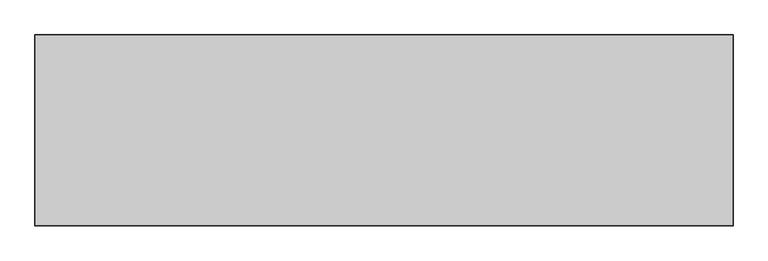
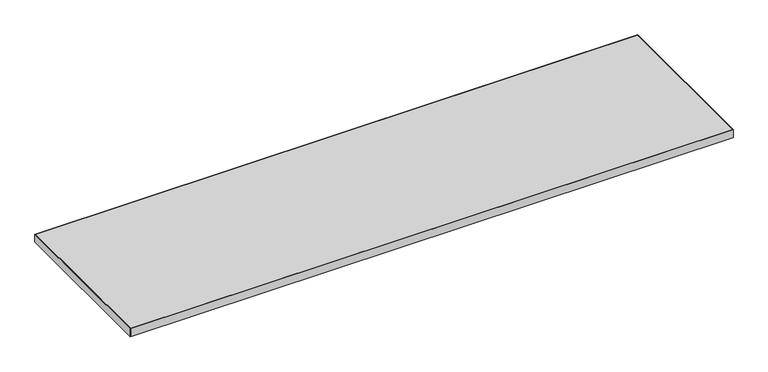
"""IFC4 building model written with IfcOpenShell, lengths in millimetres: furniture geometry."""

import ifcopenshell
import ifcopenshell.guid

model = None  # the IFC model being written
_history = None  # IfcOwnerHistory: only IFC2X3 demands one
_inside = {}  # id of a spatial element -> (the spatial element, [elements in it])
_under = {}  # id of a project, library or spatial element -> (it, [spatial elements below it])
_declared = {}  # id of a project -> (the project, [libraries it declares])
_typed = {}  # id of a type object -> (the type object, [elements of that type])
_made_of = {}  # id of a material, layer set ... -> (it, [elements and type objects made of it])


def new_model(schema):
    """Start an empty IFC model of exactly this schema.

    Asked for "IFC4X3", IfcOpenShell would pick the latest addendum, in which some entities
    have other attributes; the version numbers below select the first issue.
    IFC2X3 requires an IfcOwnerHistory on every rooted entity: one is made here for all.
    """
    global model, _history
    if schema == "IFC4X3":
        model = ifcopenshell.file(schema_version=(4, 3, 0, 0))
    else:
        model = ifcopenshell.file(schema=schema)
    _inside.clear()
    _under.clear()
    _declared.clear()
    _typed.clear()
    _made_of.clear()
    _history = None
    if model.schema == "IFC2X3":
        org = make("IfcOrganization", Name="unknown")
        user = make(
            "IfcPersonAndOrganization",
            ThePerson=make("IfcPerson", FamilyName="unknown"),
            TheOrganization=org,
        )
        app = make(
            "IfcApplication",
            ApplicationDeveloper=org,
            Version="unknown",
            ApplicationFullName="unknown",
            ApplicationIdentifier="unknown",
        )
        _history = make(
            "IfcOwnerHistory",
            OwningUser=user,
            OwningApplication=app,
            ChangeAction="ADDED",
            CreationDate=0,
        )
    return model


def make(cls, **values):
    """One entity of the class cls with the attributes given. An attribute that is None is left unset."""
    return model.create_entity(
        cls, **{name: value for name, value in values.items() if value is not None}
    )


def rooted(cls, **values):
    """An entity with a GlobalId (a new one), such as an element, a storey or a relation."""
    return make(cls, GlobalId=ifcopenshell.guid.new(), OwnerHistory=_history, **values)


def si_unit(unit_type, name, prefix=None):
    """IfcSIUnit, for example si_unit("LENGTHUNIT", "METRE", prefix="MILLI")."""
    return make("IfcSIUnit", UnitType=unit_type, Prefix=prefix, Name=name)


def assignment(units):
    """IfcUnitAssignment: the units of a project."""
    return None if units is None else make("IfcUnitAssignment", Units=units)


def point(xyz):
    """IfcCartesianPoint."""
    return None if xyz is None else make("IfcCartesianPoint", Coordinates=xyz)


def direction(xyz):
    """IfcDirection."""
    return None if xyz is None else make("IfcDirection", DirectionRatios=xyz)


def frame(location, z_axis=None, x_axis=None):
    """IfcAxis2Placement3D, a coordinate frame: its origin and axes. An axis left out is left unset."""
    return make(
        "IfcAxis2Placement3D",
        Location=point(location),
        Axis=direction(z_axis),
        RefDirection=direction(x_axis),
    )


def origin():
    """The frame at (0, 0, 0) with its axes left unset."""
    return frame((0.0, 0.0, 0.0))


def place(relative_to, where):
    """IfcLocalPlacement: puts the frame where relative to a parent placement (None: the world)."""
    return make(
        "IfcLocalPlacement", PlacementRelTo=relative_to, RelativePlacement=where
    )


def context(
    kind, dimensions, precision=None, world=None, true_north=None, identifier=None
):
    """IfcGeometricRepresentationContext, for example the 3D "Model" context."""
    return make(
        "IfcGeometricRepresentationContext",
        ContextIdentifier=identifier,
        ContextType=kind,
        CoordinateSpaceDimension=dimensions,
        Precision=precision,
        WorldCoordinateSystem=world,
        TrueNorth=true_north,
    )


def project(units=None, contexts=None):
    """IfcProject with its units and contexts."""
    return rooted(
        "IfcProject",
        Name="project",
        RepresentationContexts=contexts,
        UnitsInContext=assignment(units),
    )


def spatial(cls, under=None, at=None, **own):
    """A site, building, storey or space (cls), placed at a placement, below another one or the project."""
    s = rooted(cls, ObjectPlacement=at, **own)
    if under is not None:
        _under.setdefault(under.id(), (under, []))[1].append(s)
    return s


def polyline(points):
    """IfcPolyline through the points."""
    return make("IfcPolyline", Points=[point(p) for p in points])


def outline(outer, holes=None, kind="AREA"):
    """IfcArbitraryClosedProfileDef: a profile drawn as a closed curve; with holes, ...WithVoids."""
    if holes is None:
        return make("IfcArbitraryClosedProfileDef", ProfileType=kind, OuterCurve=outer)
    return make(
        "IfcArbitraryProfileDefWithVoids",
        ProfileType=kind,
        OuterCurve=outer,
        InnerCurves=holes,
    )


def extrude(swept, where, along, depth):
    """IfcExtrudedAreaSolid: the profile swept, set in the frame where, extruded along a direction by depth."""
    return make(
        "IfcExtrudedAreaSolid",
        SweptArea=swept,
        Position=where,
        ExtrudedDirection=direction(along),
        Depth=depth,
    )


def shape(context_of_items, identifier, shape_type, items):
    """IfcShapeRepresentation: the items that make up one representation, for example the "Body"."""
    return make(
        "IfcShapeRepresentation",
        ContextOfItems=context_of_items,
        RepresentationIdentifier=identifier,
        RepresentationType=shape_type,
        Items=items,
    )


def source(mapping_origin, context_of_items, identifier, shape_type, items):
    """IfcRepresentationMap: a shape defined once, which mapped items show again and again."""
    return make(
        "IfcRepresentationMap",
        MappingOrigin=mapping_origin,
        MappedRepresentation=shape(context_of_items, identifier, shape_type, items),
    )


def transform(
    local_origin,
    x_axis=None,
    y_axis=None,
    z_axis=None,
    scale=None,
    scale2=None,
    scale3=None,
    uniform=True,
):
    """IfcCartesianTransformationOperator3D, or its non-uniform kind. x_axis, y_axis, z_axis: its Axis1, 2, 3."""
    if uniform:
        return make(
            "IfcCartesianTransformationOperator3D",
            Axis1=direction(x_axis),
            Axis2=direction(y_axis),
            LocalOrigin=point(local_origin),
            Scale=scale,
            Axis3=direction(z_axis),
        )
    return make(
        "IfcCartesianTransformationOperator3DnonUniform",
        Axis1=direction(x_axis),
        Axis2=direction(y_axis),
        LocalOrigin=point(local_origin),
        Scale=scale,
        Axis3=direction(z_axis),
        Scale2=scale2,
        Scale3=scale3,
    )


def mapped(mapping_source, mapping_target):
    """IfcMappedItem: shows the shape of a source again, moved by a transform."""
    return make(
        "IfcMappedItem", MappingSource=mapping_source, MappingTarget=mapping_target
    )


def made_of(thing, what):
    """Note that an element or type object is made of a material, layer set ...; save() writes the relation."""
    if what is not None:
        _made_of.setdefault(what.id(), (what, []))[1].append(thing)
    return thing


def element(
    cls,
    number,
    at=None,
    inside=None,
    cuts=None,
    type_object=None,
    material=None,
    context=None,
    identifier="Body",
    shape_type=None,
    held_by="IfcProductDefinitionShape",
    body=None,
    shapes=None,
    **own,
):
    """One element of the class cls, such as IfcWall. Its Tag is "e" and its number.

    at: its placement. inside: the storey or other place that contains it. cuts: it is an
    opening in that element (IfcRelVoidsElement). A single representation is given by context,
    identifier, shape_type and body (its items); several are given by shapes. held_by: the class
    of the entity that holds the representations. save() writes the other relations.
    """
    e = rooted(cls, Tag="e%d" % number, ObjectPlacement=at, **own)
    if body is not None:
        shapes = [shape(context, identifier, shape_type, body)]
    if shapes is not None:
        e.Representation = make(held_by, Representations=shapes)
    if inside is not None:
        _inside.setdefault(inside.id(), (inside, []))[1].append(e)
    if cuts is not None:
        rooted(
            "IfcRelVoidsElement", RelatingBuildingElement=cuts, RelatedOpeningElement=e
        )
    if type_object is not None:
        _typed.setdefault(type_object.id(), (type_object, []))[1].append(e)
    return made_of(e, material)


def aggregate(whole, parts):
    """IfcRelAggregates: a whole, such as a stair, and the parts it consists of."""
    return rooted("IfcRelAggregates", RelatingObject=whole, RelatedObjects=parts)


def save(model, path):
    """Write the relations noted so far, then the file.

    IfcRelAggregates (storeys below a building ...), IfcRelContainedInSpatialStructure (elements
    in a storey), IfcRelDefinesByType, IfcRelAssociatesMaterial and IfcRelDeclares: one each for
    every whole, place, type object, material and project.
    """
    for whole, parts in _under.values():
        aggregate(whole, parts)
    for where, things in _inside.values():
        rooted(
            "IfcRelContainedInSpatialStructure",
            RelatedElements=things,
            RelatingStructure=where,
        )
    for kind, things in _typed.values():
        rooted("IfcRelDefinesByType", RelatedObjects=things, RelatingType=kind)
    for what, things in _made_of.values():
        rooted("IfcRelAssociatesMaterial", RelatedObjects=things, RelatingMaterial=what)
    for by, libraries in _declared.values():
        rooted("IfcRelDeclares", RelatingContext=by, RelatedDefinitions=libraries)
    model.write(path)


def furniture_91479fe4(model_context):
    return source(origin(), model_context, "Body", "SweptSolid", [
        extrude(outline(polyline([(1666.3273996, 176.2916812), (-461.0242004, 176.2916812), (-461.0242004, 757.2912812), (1666.3273996, 757.2912812), (1666.3273996, 176.2916812)])), frame((0.0, 0.0, 707.0328125), z_axis=(0.0, 0.0, 1.0), x_axis=(1.0, 0.0, 0.0)), (0.0, 0.0, 1.0), 29.5671875),
        extrude(outline(polyline([(1667.9148996, 758.8787812), (1667.9148996, 174.7041812), (-462.6117004, 174.7041812), (-462.6117004, 758.8787812), (1667.9148996, 758.8787812)]), holes=[polyline([(-461.0242004, 757.2912812), (-461.0242004, 176.2916812), (1666.3273996, 176.2916812), (1666.3273996, 757.2912812), (-461.0242004, 757.2912812)])]), frame((0.0, 0.0, 707.009), z_axis=(0.0, 0.0, 1.0), x_axis=(1.0, 0.0, 0.0)), (0.0, 0.0, 1.0), 29.591),
    ])


if __name__ == "__main__":
    model = new_model("IFC4")
    model_context = context("Model", 3, world=origin())
    ifc_project = project(units=[si_unit("LENGTHUNIT", "METRE", prefix="MILLI")], contexts=[model_context])
    site = spatial("IfcSite", under=ifc_project)
    building = spatial("IfcBuilding", under=site)
    placement = place(None, origin())
    furniture_shape = furniture_91479fe4(model_context)
    element("IfcFurniture", 1, at=placement, inside=building, context=model_context, shape_type="MappedRepresentation", body=[
        mapped(furniture_shape, transform((0.0, 0.0, 0.0), x_axis=(1.0, 0.0, 0.0), y_axis=(0.0, 1.0, 0.0), z_axis=(0.0, 0.0, 1.0))),
    ])
    save(model, "model.ifc")
